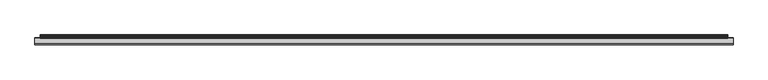
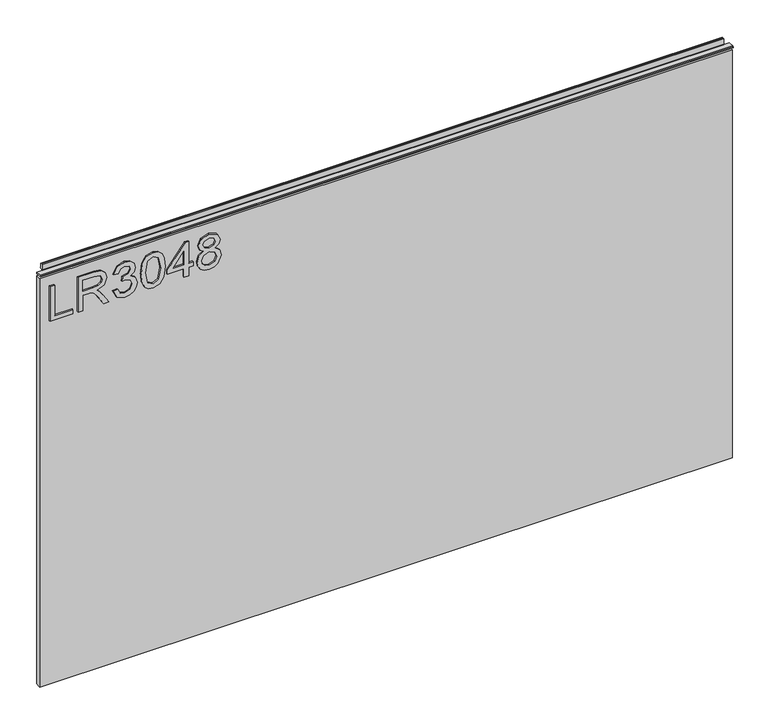
"""IFC4 building model written with IfcOpenShell, lengths in millimetres: furniture geometry."""

from ifc_helpers import new_model, si_unit, frame, origin, place, context, project, spatial, polyline, outline, extrude, source, transform, mapped, element, save


def furniture_98d3874a(model_context):
    return source(origin(), model_context, "Body", "SweptSolid", [
        extrude(outline(polyline([(773.6078, -281.6939953), (773.6078, -241.8253972), (781.5815196, -241.8253972), (781.5815196, -273.7202757), (837.3975569, -273.7202757), (837.3975569, -281.6939953), (773.6078, -281.6939953)])), frame((0.0, -5.4626842, 0.0), z_axis=(0.0, 1.0, 0.0), x_axis=(0.0, 0.0, 1.0)), (0.0, 0.0, 1.0), 2.38125),
        extrude(outline(polyline([(773.6078, -232.8549627), (773.6078, -224.8812431), (801.5158187, -224.8812431), (801.5158187, -215.2567143), (801.2354926, -210.631334), (799.7170596, -206.8391451), (795.58225, -202.626467), (786.8298468, -196.6306036), (773.6078, -188.3298369), (773.6078, -179.0635026), (790.894575, -189.70032), (799.1018996, -196.1633935), (802.5125336, -200.6953318), (808.4461023, -187.3409088), (819.9394716, -183.0192151), (829.5873609, -185.627805), (835.6766663, -192.6048096), (837.3975569, -205.3674331), (837.3975569, -232.8549627), (773.6078, -232.8549627)]), holes=[polyline([(809.4895383, -224.8812431), (829.4238373, -224.8812431), (829.4238373, -205.0248124), (826.6672975, -194.3646345), (819.6435719, -190.9929347), (814.2317211, -192.7605464), (810.6186294, -197.9310052), (809.4895383, -207.0338159), (809.4895383, -224.8812431)])]), frame((0.0, -5.4626842, 0.0), z_axis=(0.0, 1.0, 0.0), x_axis=(0.0, 0.0, 1.0)), (0.0, 0.0, 1.0), 2.38125),
        extrude(outline(polyline([(790.5519542, -172.0553506), (777.6102335, -165.7168664), (772.611085, -151.7317098), (774.0750101, -143.2090182), (778.4667854, -136.2982017), (784.9610063, -131.7195424), (792.7322681, -130.1933226), (803.1043331, -133.2457621), (808.555118, -141.9358706), (813.8345925, -135.3949287), (821.1853653, -133.1834674), (829.2291664, -135.5117313), (835.2094562, -142.2395572), (837.3975569, -151.8562991), (832.9590607, -164.5332674), (820.4534028, -171.0586356), (819.4566878, -163.084916), (826.9320499, -159.1759246), (829.4238373, -151.5759731), (826.9554105, -144.0694636), (820.7181552, -141.1571871), (813.6788558, -145.1751942), (811.4829682, -155.5005382), (803.5092486, -156.3882374), (804.3813742, -150.7972895), (801.11869, -141.7334129), (792.8724312, -138.1670422), (784.120028, -141.7645602), (780.5848047, -151.4513837), (783.1544604, -159.6820689), (791.5486691, -164.081631), (790.5519542, -172.0553506)])), frame((0.0, -5.4626842, 0.0), z_axis=(0.0, 1.0, 0.0), x_axis=(0.0, 0.0, 1.0)), (0.0, 0.0, 1.0), 2.38125),
        extrude(outline(polyline([(804.9887473, -123.2163179), (789.4734775, -121.6278035), (778.6848168, -116.8622601), (774.129518, -110.570497), (772.611085, -102.2853039), (776.1073742, -90.6128374), (786.7130443, -83.6747669), (804.9887473, -81.3542899), (819.9784058, -82.8026413), (829.4160505, -86.5403224), (835.3418324, -92.9722486), (837.3975569, -102.2853039), (833.9246283, -113.9110494), (823.3423188, -120.8724804), (804.9887473, -123.2163179)]), holes=[polyline([(805.004321, -115.2425983), (825.1566514, -111.3803279), (829.4238373, -102.378746), (824.5804256, -92.9411012), (805.004321, -89.3280095), (785.2179718, -93.0656906), (780.5848047, -102.2853039), (785.2023982, -111.5049172), (805.004321, -115.2425983)])]), frame((0.0, -5.4626842, 0.0), z_axis=(0.0, 1.0, 0.0), x_axis=(0.0, 0.0, 1.0)), (0.0, 0.0, 1.0), 2.38125),
        extrude(outline(polyline([(773.6078, -48.4626965), (773.6078, -40.4889769), (788.5585243, -40.4889769), (788.5585243, -32.5152573), (796.5322439, -32.5152573), (796.5322439, -40.4889769), (836.400842, -40.4889769), (836.400842, -46.4692666), (796.5322439, -77.3674301), (788.5585243, -77.3674301), (788.5585243, -48.4626965), (773.6078, -48.4626965)]), holes=[polyline([(796.5322439, -48.4626965), (796.5322439, -67.5560173), (821.1697916, -48.4626965), (796.5322439, -48.4626965)])]), frame((0.0, -5.4626842, 0.0), z_axis=(0.0, 1.0, 0.0), x_axis=(0.0, 0.0, 1.0)), (0.0, 0.0, 1.0), 2.38125),
        extrude(outline(polyline([(808.7420021, -13.9202939), (802.9485964, -22.5169604), (792.3896474, -25.5382526), (784.6320125, -24.097688), (778.2721145, -19.7759943), (774.0263424, -13.1026762), (772.611085, -4.6072386), (774.0205023, 3.888199), (778.248754, 10.5615171), (792.171616, 16.3237754), (802.4891731, 13.4192857), (808.7420021, 4.9394218), (813.671069, 12.0020817), (821.1853653, 14.3303455), (832.6787346, 9.097592), (837.3975569, -4.7162543), (832.7877503, -18.4055112), (821.4033967, -23.5448227), (813.6944295, -21.1854115), (808.7420021, -13.9202939)]), holes=[polyline([(821.1697916, -15.5711031), (826.9943446, -12.6977608), (829.4238373, -4.6072386), (826.9398368, 3.459923), (820.8115972, 6.3566259), (814.8936022, 3.5533651), (812.4796831, -4.5137966), (814.9091758, -12.7444818), (821.1697916, -15.5711031)]), polyline([(792.6699735, -17.564533), (801.1264769, -14.1928332), (804.5059635, -4.8096963), (801.0797559, 4.8459798), (792.4207947, 8.3500558), (783.9253571, 4.9549955), (780.5848047, -4.5449439), (782.1733191, -11.5219486), (786.6663232, -16.2329841), (792.6699735, -17.564533)])]), frame((0.0, -5.4626842, 0.0), z_axis=(0.0, 1.0, 0.0), x_axis=(0.0, 0.0, 1.0)), (0.0, 0.0, 1.0), 2.38125),
        extrude(outline(polyline([(5.5562561, 863.6), (6.3500061, 863.6), (6.3500061, 873.47425), (7.1437561, 874.268), (8.6677569, 874.268), (10.0084363, 873.8506926), (10.875413, 872.7461816), (10.9623604, 871.3447591), (10.2390011, 868.3863459), (10.4046103, 867.1833307), (11.6746103, 864.9836103), (10.7786383, 864.4663244), (7.1437561, 864.4663244), (7.1437561, 863.6), (6.3500061, 863.3669239), (6.3500061, 856.1578), (5.5562561, 856.1578), (5.5562561, 863.6)])), frame((-288.671, 0.0, 0.0), z_axis=(1.0, 0.0, 0.0), x_axis=(0.0, 1.0, 0.0)), (0.0, 0.0, 1.0), 1186.942),
        extrude(outline(polyline([(5.5562561, 863.6), (5.5562561, 860.4249996), (-3.975094, 860.4249996), (-5.3492339, 861.2183657), (-5.3492339, 862.8066395), (-3.9751037, 863.6), (5.5562561, 863.6)])), frame((-298.196, 0.0, 0.0), z_axis=(1.0, 0.0, 0.0), x_axis=(0.0, 1.0, 0.0)), (0.0, 0.0, 1.0), 1205.992),
        extrude(outline(polyline([(907.796, 6.3500061), (907.796, -3.1749939), (-298.196, -3.1749939), (-298.196, 6.3500061), (907.796, 6.3500061)])), frame((0.0, 0.0, 104.69626), z_axis=(0.0, 0.0, 1.0), x_axis=(1.0, 0.0, 0.0)), (0.0, 0.0, 1.0), 751.46154),
    ])


if __name__ == "__main__":
    model = new_model("IFC4")
    model_context = context("Model", 3, world=origin())
    ifc_project = project(units=[si_unit("LENGTHUNIT", "METRE", prefix="MILLI")], contexts=[model_context])
    site = spatial("IfcSite", under=ifc_project)
    building = spatial("IfcBuilding", under=site)
    placement = place(None, origin())
    furniture_shape = furniture_98d3874a(model_context)
    element("IfcFurniture", 1, at=placement, inside=building, context=model_context, shape_type="MappedRepresentation", body=[
        mapped(furniture_shape, transform((0.0, 0.0, 0.0), x_axis=(1.0, 0.0, 0.0), y_axis=(0.0, 1.0, 0.0), z_axis=(0.0, 0.0, 1.0))),
    ])
    save(model, "model.ifc")
